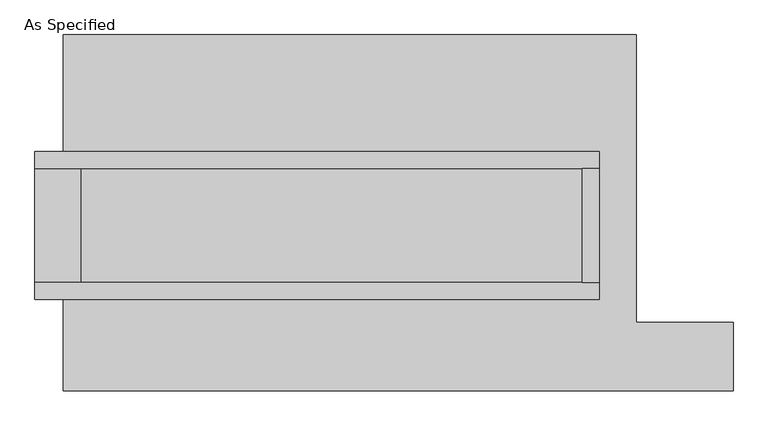
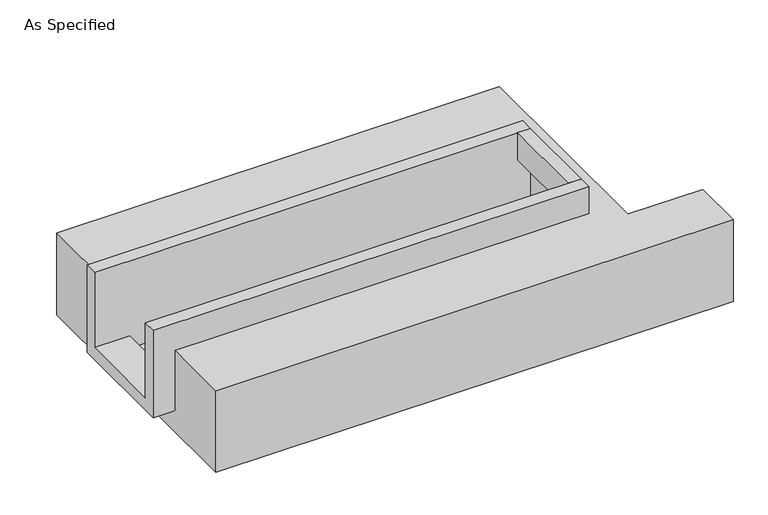
"""IFC4 building model written with IfcOpenShell, lengths in millimetres: proxy geometry, As Specified."""

from ifc_helpers import new_model, si_unit, frame, origin, place, context, project, spatial, polyline, outline, extrude, faceted_brep, source, transform, mapped, element, save


def as_specified_dea80fd1(model_context):
    return source(origin(), model_context, "Body", "SolidModel", [
        extrude(outline(polyline([(1035.05, 196.85), (1111.25, 196.85), (1111.25, -311.15), (1035.05, -311.15), (1035.05, 196.85)])), frame((0.0, 0.0, -25.4), z_axis=(0.0, 0.0, 1.0), x_axis=(1.0, 0.0, 0.0)), (0.0, 0.0, 1.0), 165.1),
        faceted_brep([(1111.25, 196.85, 139.7), (1111.25, 196.85, -317.5), (1111.25, -311.15, -317.5), (1111.25, -311.15, 139.7), (1111.25, -387.35, 139.7), (1111.25, -387.35, -393.7), (1111.25, 273.05, -393.7), (1111.25, 273.05, 139.7), (-1403.35, 196.85, 139.7), (-1403.35, 273.05, 139.7), (-1403.35, 273.05, -393.7), (-1403.35, -387.35, -393.7), (-1403.35, -387.35, 139.7), (-1403.35, -311.15, 139.7), (-1403.35, -311.15, -317.5), (-1403.35, 196.85, -317.5), (-1200.15, 196.85, -393.7), (-1200.15, -311.15, -393.7), (1035.05, -311.15, -393.7), (1035.05, 196.85, -393.7), (1035.05, -311.15, -317.5), (-1200.15, -311.15, -317.5), (1035.05, 196.85, -317.5), (-1200.15, 196.85, -317.5)], [[[0, 1, 2, 3, 4, 5, 6, 7]], [[8, 9, 10, 11, 12, 13, 14, 15]], [[0, 7, 9, 8]], [[7, 6, 10, 9]], [[6, 5, 11, 10], [16, 17, 18, 19]], [[4, 3, 13, 12]], [[3, 2, 20, 18, 17, 21, 14, 13]], [[2, 1, 22, 20]], [[15, 14, 21, 23]], [[1, 0, 8, 15, 23, 16, 19, 22]], [[21, 17, 16, 23]], [[18, 20, 22, 19]], [[5, 4, 12, 11]]]),
        faceted_brep([(-1276.35, 793.75, -523.9742188), (1276.35, 793.75, -523.9742188), (1276.35, -488.95, -523.9742188), (1708.15, -488.95, -523.9742188), (1708.15, -793.75, -523.9742188), (-1276.35, -793.75, -523.9742188), (1276.35, 793.75, -25.4), (-1276.35, 793.75, -25.4), (-1276.35, 273.05, -25.4), (1111.25, 273.05, -25.4), (1111.25, -387.35, -25.4), (-1276.35, -387.35, -25.4), (-1276.35, -793.75, -25.4), (1708.15, -793.75, -25.4), (1708.15, -488.95, -25.4), (1276.35, -488.95, -25.4), (-1276.35, -387.35, -393.7), (-1276.35, 273.05, -393.7), (1111.25, 273.05, -393.7), (1111.25, -387.35, -393.7)], [[[0, 1, 2, 3, 4, 5]], [[6, 7, 8, 9, 10, 11, 12, 13, 14, 15]], [[1, 0, 7, 6]], [[7, 0, 5, 12, 11, 16, 17, 8]], [[1, 6, 15, 2]], [[5, 4, 13, 12]], [[18, 19, 10, 9]], [[17, 18, 9, 8]], [[19, 18, 17, 16]], [[19, 16, 11, 10]], [[4, 3, 14, 13]], [[3, 2, 15, 14]]]),
    ])


if __name__ == "__main__":
    model = new_model("IFC4")
    model_context = context("Model", 3, world=origin())
    ifc_project = project(units=[si_unit("LENGTHUNIT", "METRE", prefix="MILLI")], contexts=[model_context])
    site = spatial("IfcSite", under=ifc_project)
    building = spatial("IfcBuilding", under=site)
    placement = place(None, origin())
    as_specified_shape = as_specified_dea80fd1(model_context)
    element("IfcBuildingElementProxy", 1, Name="As Specified", ObjectType="As Specified", at=placement, inside=building, context=model_context, shape_type="MappedRepresentation", body=[
        mapped(as_specified_shape, transform((0.0, 0.0, 0.0), x_axis=(1.0, 0.0, 0.0), y_axis=(0.0, 1.0, 0.0), z_axis=(0.0, 0.0, 1.0))),
    ])
    save(model, "model.ifc")
